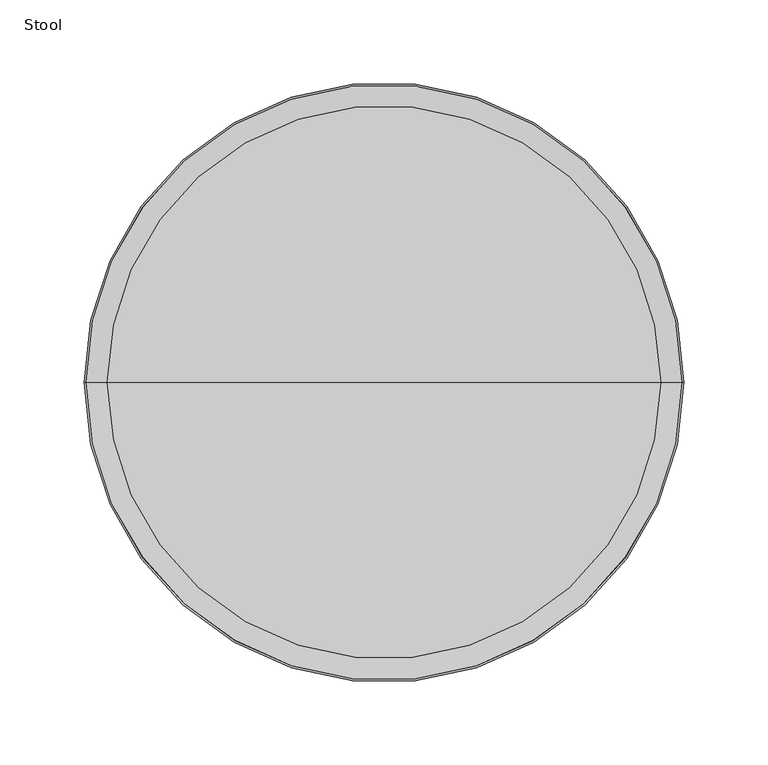
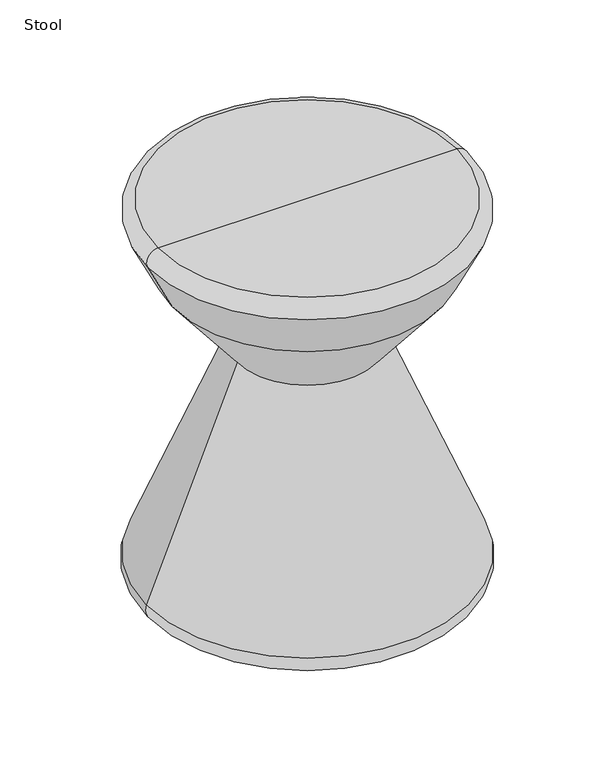
"""IFC4 building model written with IfcOpenShell, lengths in millimetres: furniture geometry, Stool."""

import ifcopenshell
import ifcopenshell.guid

model = None  # the IFC model being written
_history = None  # IfcOwnerHistory: only IFC2X3 demands one
_inside = {}  # id of a spatial element -> (the spatial element, [elements in it])
_under = {}  # id of a project, library or spatial element -> (it, [spatial elements below it])
_declared = {}  # id of a project -> (the project, [libraries it declares])
_typed = {}  # id of a type object -> (the type object, [elements of that type])
_made_of = {}  # id of a material, layer set ... -> (it, [elements and type objects made of it])


def new_model(schema):
    """Start an empty IFC model of exactly this schema.

    Asked for "IFC4X3", IfcOpenShell would pick the latest addendum, in which some entities
    have other attributes; the version numbers below select the first issue.
    IFC2X3 requires an IfcOwnerHistory on every rooted entity: one is made here for all.
    """
    global model, _history
    if schema == "IFC4X3":
        model = ifcopenshell.file(schema_version=(4, 3, 0, 0))
    else:
        model = ifcopenshell.file(schema=schema)
    _inside.clear()
    _under.clear()
    _declared.clear()
    _typed.clear()
    _made_of.clear()
    _history = None
    if model.schema == "IFC2X3":
        org = make("IfcOrganization", Name="unknown")
        user = make(
            "IfcPersonAndOrganization",
            ThePerson=make("IfcPerson", FamilyName="unknown"),
            TheOrganization=org,
        )
        app = make(
            "IfcApplication",
            ApplicationDeveloper=org,
            Version="unknown",
            ApplicationFullName="unknown",
            ApplicationIdentifier="unknown",
        )
        _history = make(
            "IfcOwnerHistory",
            OwningUser=user,
            OwningApplication=app,
            ChangeAction="ADDED",
            CreationDate=0,
        )
    return model


def make(cls, **values):
    """One entity of the class cls with the attributes given. An attribute that is None is left unset."""
    return model.create_entity(
        cls, **{name: value for name, value in values.items() if value is not None}
    )


def rooted(cls, **values):
    """An entity with a GlobalId (a new one), such as an element, a storey or a relation."""
    return make(cls, GlobalId=ifcopenshell.guid.new(), OwnerHistory=_history, **values)


def si_unit(unit_type, name, prefix=None):
    """IfcSIUnit, for example si_unit("LENGTHUNIT", "METRE", prefix="MILLI")."""
    return make("IfcSIUnit", UnitType=unit_type, Prefix=prefix, Name=name)


def assignment(units):
    """IfcUnitAssignment: the units of a project."""
    return None if units is None else make("IfcUnitAssignment", Units=units)


def point(xyz):
    """IfcCartesianPoint."""
    return None if xyz is None else make("IfcCartesianPoint", Coordinates=xyz)


def direction(xyz):
    """IfcDirection."""
    return None if xyz is None else make("IfcDirection", DirectionRatios=xyz)


def frame(location, z_axis=None, x_axis=None):
    """IfcAxis2Placement3D, a coordinate frame: its origin and axes. An axis left out is left unset."""
    return make(
        "IfcAxis2Placement3D",
        Location=point(location),
        Axis=direction(z_axis),
        RefDirection=direction(x_axis),
    )


def origin():
    """The frame at (0, 0, 0) with its axes left unset."""
    return frame((0.0, 0.0, 0.0))


def place(relative_to, where):
    """IfcLocalPlacement: puts the frame where relative to a parent placement (None: the world)."""
    return make(
        "IfcLocalPlacement", PlacementRelTo=relative_to, RelativePlacement=where
    )


def context(
    kind, dimensions, precision=None, world=None, true_north=None, identifier=None
):
    """IfcGeometricRepresentationContext, for example the 3D "Model" context."""
    return make(
        "IfcGeometricRepresentationContext",
        ContextIdentifier=identifier,
        ContextType=kind,
        CoordinateSpaceDimension=dimensions,
        Precision=precision,
        WorldCoordinateSystem=world,
        TrueNorth=true_north,
    )


def project(units=None, contexts=None):
    """IfcProject with its units and contexts."""
    return rooted(
        "IfcProject",
        Name="project",
        RepresentationContexts=contexts,
        UnitsInContext=assignment(units),
    )


def spatial(cls, under=None, at=None, **own):
    """A site, building, storey or space (cls), placed at a placement, below another one or the project."""
    s = rooted(cls, ObjectPlacement=at, **own)
    if under is not None:
        _under.setdefault(under.id(), (under, []))[1].append(s)
    return s


def polyline(points):
    """IfcPolyline through the points."""
    return make("IfcPolyline", Points=[point(p) for p in points])


def circle_curve(where, radius):
    """IfcCircle in the frame where."""
    return make("IfcCircle", Position=where, Radius=radius)


def ellipse_curve(where, semi_axis1, semi_axis2):
    """IfcEllipse in the frame where."""
    return make(
        "IfcEllipse", Position=where, SemiAxis1=semi_axis1, SemiAxis2=semi_axis2
    )


def trimmed(basis, trim1, trim2, sense, master):
    """IfcTrimmedCurve: the piece of a basis curve between two trims."""
    return make(
        "IfcTrimmedCurve",
        BasisCurve=basis,
        Trim1=trim1,
        Trim2=trim2,
        SenseAgreement=sense,
        MasterRepresentation=master,
    )


def shape(context_of_items, identifier, shape_type, items):
    """IfcShapeRepresentation: the items that make up one representation, for example the "Body"."""
    return make(
        "IfcShapeRepresentation",
        ContextOfItems=context_of_items,
        RepresentationIdentifier=identifier,
        RepresentationType=shape_type,
        Items=items,
    )


def source(mapping_origin, context_of_items, identifier, shape_type, items):
    """IfcRepresentationMap: a shape defined once, which mapped items show again and again."""
    return make(
        "IfcRepresentationMap",
        MappingOrigin=mapping_origin,
        MappedRepresentation=shape(context_of_items, identifier, shape_type, items),
    )


def transform(
    local_origin,
    x_axis=None,
    y_axis=None,
    z_axis=None,
    scale=None,
    scale2=None,
    scale3=None,
    uniform=True,
):
    """IfcCartesianTransformationOperator3D, or its non-uniform kind. x_axis, y_axis, z_axis: its Axis1, 2, 3."""
    if uniform:
        return make(
            "IfcCartesianTransformationOperator3D",
            Axis1=direction(x_axis),
            Axis2=direction(y_axis),
            LocalOrigin=point(local_origin),
            Scale=scale,
            Axis3=direction(z_axis),
        )
    return make(
        "IfcCartesianTransformationOperator3DnonUniform",
        Axis1=direction(x_axis),
        Axis2=direction(y_axis),
        LocalOrigin=point(local_origin),
        Scale=scale,
        Axis3=direction(z_axis),
        Scale2=scale2,
        Scale3=scale3,
    )


def mapped(mapping_source, mapping_target):
    """IfcMappedItem: shows the shape of a source again, moved by a transform."""
    return make(
        "IfcMappedItem", MappingSource=mapping_source, MappingTarget=mapping_target
    )


def made_of(thing, what):
    """Note that an element or type object is made of a material, layer set ...; save() writes the relation."""
    if what is not None:
        _made_of.setdefault(what.id(), (what, []))[1].append(thing)
    return thing


def element(
    cls,
    number,
    at=None,
    inside=None,
    cuts=None,
    type_object=None,
    material=None,
    context=None,
    identifier="Body",
    shape_type=None,
    held_by="IfcProductDefinitionShape",
    body=None,
    shapes=None,
    **own,
):
    """One element of the class cls, such as IfcWall. Its Tag is "e" and its number.

    at: its placement. inside: the storey or other place that contains it. cuts: it is an
    opening in that element (IfcRelVoidsElement). A single representation is given by context,
    identifier, shape_type and body (its items); several are given by shapes. held_by: the class
    of the entity that holds the representations. save() writes the other relations.
    """
    e = rooted(cls, Tag="e%d" % number, ObjectPlacement=at, **own)
    if body is not None:
        shapes = [shape(context, identifier, shape_type, body)]
    if shapes is not None:
        e.Representation = make(held_by, Representations=shapes)
    if inside is not None:
        _inside.setdefault(inside.id(), (inside, []))[1].append(e)
    if cuts is not None:
        rooted(
            "IfcRelVoidsElement", RelatingBuildingElement=cuts, RelatedOpeningElement=e
        )
    if type_object is not None:
        _typed.setdefault(type_object.id(), (type_object, []))[1].append(e)
    return made_of(e, material)


def aggregate(whole, parts):
    """IfcRelAggregates: a whole, such as a stair, and the parts it consists of."""
    return rooted("IfcRelAggregates", RelatingObject=whole, RelatedObjects=parts)


def save(model, path):
    """Write the relations noted so far, then the file.

    IfcRelAggregates (storeys below a building ...), IfcRelContainedInSpatialStructure (elements
    in a storey), IfcRelDefinesByType, IfcRelAssociatesMaterial and IfcRelDeclares: one each for
    every whole, place, type object, material and project.
    """
    for whole, parts in _under.values():
        aggregate(whole, parts)
    for where, things in _inside.values():
        rooted(
            "IfcRelContainedInSpatialStructure",
            RelatedElements=things,
            RelatingStructure=where,
        )
    for kind, things in _typed.values():
        rooted("IfcRelDefinesByType", RelatedObjects=things, RelatingType=kind)
    for what, things in _made_of.values():
        rooted("IfcRelAssociatesMaterial", RelatedObjects=things, RelatingMaterial=what)
    for by, libraries in _declared.values():
        rooted("IfcRelDeclares", RelatingContext=by, RelatedDefinitions=libraries)
    model.write(path)


def plane_surface(at):
    """IfcPlane: the flat surface through the origin of the frame at, square to its z axis."""
    return make("IfcPlane", Position=at)


def revolved_surface(curve, axis_point, axis_direction):
    """IfcSurfaceOfRevolution: the curve turned about the line through axis_point along axis_direction."""
    return make(
        "IfcSurfaceOfRevolution",
        SweptCurve=make("IfcArbitraryOpenProfileDef", ProfileType="CURVE", Curve=curve),
        AxisPosition=make("IfcAxis1Placement", Location=point(axis_point), Axis=direction(axis_direction)),
    )


def advanced_brep(points, edges, surfaces, faces):
    """IfcAdvancedBrep: a solid bounded by faces that lie on surfaces and meet in shared edges.

    An edge is (start, end): straight between two places in points (the first is 0);
    or (start, end, curve); or (start, end, curve, False) where it runs against its curve.
    A face is (place in surfaces, loops), or (place, loops, False) where it looks against
    its surface's normal. A loop lists edges by number (the first is 1), with a minus sign
    where the edge is run from its end to its start. The first loop is the outer one.
    """
    corners = [point(p) for p in points]
    vertices = [make("IfcVertexPoint", VertexGeometry=c) for c in corners]
    made = []
    for start, end, *more in edges:
        made.append(
            make(
                "IfcEdgeCurve",
                EdgeStart=vertices[start],
                EdgeEnd=vertices[end],
                EdgeGeometry=more[0] if more else make("IfcPolyline", Points=[corners[start], corners[end]]),
                SameSense=more[1] if len(more) > 1 else True,
            )
        )
    hull = []
    for where, loops, *sense in faces:
        bounds = []
        for j, loop in enumerate(loops):
            ring = [make("IfcOrientedEdge", EdgeElement=made[abs(k) - 1], Orientation=k > 0) for k in loop]
            bounds.append(
                make(
                    "IfcFaceOuterBound" if j == 0 else "IfcFaceBound",
                    Bound=make("IfcEdgeLoop", EdgeList=ring),
                    Orientation=True,
                )
            )
        hull.append(make("IfcAdvancedFace", Bounds=bounds, FaceSurface=surfaces[where], SameSense=sense[0] if sense else True))
    return make("IfcAdvancedBrep", Outer=make("IfcClosedShell", CfsFaces=hull))


def stool_d127ea80(model_context):
    return source(origin(), model_context, "Body", "AdvancedBrep", [
        advanced_brep(
        [(164.2968128, 0.0, 431.758784), (-164.2968128, 0.0, 431.758784), (0.0, 0.0, 431.758784), (175.7114971, 0.0, 413.4914704), (-175.7114971, 0.0, 413.4914704), (148.4155776, 0.0, 357.5265418), (-148.4155776, 0.0, 357.5265418), (77.1187031, 0.0, 268.2462901), (-77.1187031, 0.0, 268.2462901), (177.0332921, 0.0, 20.9490045), (-177.0332921, 0.0, 20.9490045), (162.9030101, 0.0, 0.0), (-162.9030101, 0.0, 0.0), (0.0, 0.0, 0.0)],
        [
            (0, 1, circle_curve(frame((0.0, 0.0, 431.758784), z_axis=(0.0, 0.0, 1.0), x_axis=(-1.0, 0.0, 0.0)), 164.2968128)),
            (1, 2),
            (2, 0),
            (1, 0, circle_curve(frame((0.0, 0.0, 431.758784), z_axis=(0.0, 0.0, 1.0), x_axis=(-1.0, 0.0, 0.0)), 164.2968128)),
            (3, 4, circle_curve(frame((0.0, 0.0, 413.4914704), z_axis=(0.0, 0.0, 1.0), x_axis=(-1.0, 0.0, 0.0)), 175.7114971)),
            (4, 1, circle_curve(frame((-164.2968128, 0.0, 419.058784), z_axis=(0.0, 1.0, 0.0), x_axis=(-1.0, 0.0, 0.0)), 12.7)),
            (0, 3, circle_curve(frame((164.2968128, 0.0, 419.058784), z_axis=(0.0, 1.0, 0.0), x_axis=(1.0, 0.0, 0.0)), 12.7)),
            (4, 3, circle_curve(frame((0.0, 0.0, 413.4914704), z_axis=(0.0, 0.0, 1.0), x_axis=(-1.0, 0.0, 0.0)), 175.7114971)),
            (5, 6, circle_curve(frame((0.0, 0.0, 357.5265418), z_axis=(0.0, 0.0, 1.0), x_axis=(-1.0, 0.0, 0.0)), 148.4155776)),
            (6, 4),
            (3, 5),
            (6, 5, circle_curve(frame((0.0, 0.0, 357.5265418), z_axis=(0.0, 0.0, 1.0), x_axis=(-1.0, 0.0, 0.0)), 148.4155776)),
            (7, 8, circle_curve(frame((0.0, 0.0, 268.2462901), z_axis=(0.0, 0.0, 1.0), x_axis=(-1.0, 0.0, 0.0)), 77.1187031)),
            (8, 6),
            (5, 7),
            (8, 7, circle_curve(frame((0.0, 0.0, 268.2462901), z_axis=(0.0, 0.0, 1.0), x_axis=(-1.0, 0.0, 0.0)), 77.1187031)),
            (9, 10, circle_curve(frame((0.0, 0.0, 20.9490045), z_axis=(0.0, 0.0, 1.0), x_axis=(-1.0, 0.0, 0.0)), 177.0332921)),
            (10, 8),
            (7, 9),
            (10, 9, circle_curve(frame((0.0, 0.0, 20.9490045), z_axis=(0.0, 0.0, 1.0), x_axis=(-1.0, 0.0, 0.0)), 177.0332921)),
            (11, 12, circle_curve(frame((0.0, 0.0, 0.0), z_axis=(0.0, 0.0, 1.0), x_axis=(-1.0, 0.0, 0.0)), 162.9030101)),
            (12, 10, circle_curve(frame((-162.9030101, 0.0, 15.24), z_axis=(0.0, 1.0, 0.0), x_axis=(-1.0, 0.0, 0.0)), 15.24)),
            (9, 11, circle_curve(frame((162.9030101, 0.0, 15.24), z_axis=(0.0, 1.0, 0.0), x_axis=(1.0, 0.0, 0.0)), 15.24)),
            (12, 11, circle_curve(frame((0.0, 0.0, 0.0), z_axis=(0.0, 0.0, 1.0), x_axis=(-1.0, 0.0, 0.0)), 162.9030101)),
            (13, 12),
            (11, 13),
        ],
        [
            plane_surface(frame((0.0, 0.0, 431.758784), z_axis=(0.0, 0.0, 1.0), x_axis=(-1.0, 0.0, 0.0))),
            revolved_surface(trimmed(ellipse_curve(frame((-164.2968128, 0.0, 419.058784), z_axis=(0.0, -1.0, 0.0), x_axis=(-1.0, 0.0, 0.0)), 12.7, 12.7), [point((-164.2968128, 0.0, 431.758784))], [point((-175.7114971, 0.0, 413.4914704))], True, "CARTESIAN"), (0.0, 0.0, 533.358784), (0.0, 0.0, -1.0)),
            revolved_surface(polyline([(-175.7114971, 0.0, 413.4914704), (-148.4155776, 0.0, 357.5265418)]), (0.0, 0.0, 533.358784), (0.0, 0.0, -1.0)),
            revolved_surface(polyline([(-148.4155776, 0.0, 357.5265418), (-77.1187031, 0.0, 268.2462901)]), (0.0, 0.0, 533.358784), (0.0, 0.0, -1.0)),
            revolved_surface(polyline([(-77.1187031, 0.0, 268.2462901), (-177.0332921, 0.0, 20.9490045)]), (0.0, 0.0, 533.358784), (0.0, 0.0, -1.0)),
            revolved_surface(trimmed(ellipse_curve(frame((-162.9030101, 0.0, 15.24), z_axis=(0.0, -1.0, 0.0), x_axis=(-1.0, 0.0, 0.0)), 15.24, 15.24), [point((-177.0332921, 0.0, 20.9490045))], [point((-162.9030101, 0.0, 0.0))], True, "CARTESIAN"), (0.0, 0.0, 533.358784), (0.0, 0.0, -1.0)),
            plane_surface(frame((0.0, 0.0, 0.0), z_axis=(0.0, 0.0, -1.0), x_axis=(-1.0, 0.0, 0.0))),
        ],
        [
            (0, [[1, 2, 3]]),
            (0, [[4, -3, -2]]),
            (1, [[5, 6, -1, 7]]),
            (1, [[8, -7, -4, -6]]),
            (2, [[9, 10, -5, 11]]),
            (2, [[12, -11, -8, -10]]),
            (3, [[13, 14, -9, 15]]),
            (3, [[16, -15, -12, -14]]),
            (4, [[17, 18, -13, 19]]),
            (4, [[20, -19, -16, -18]]),
            (5, [[21, 22, -17, 23]]),
            (5, [[24, -23, -20, -22]]),
            (6, [[25, -21, 26]]),
            (6, [[-26, -24, -25]]),
        ],
    ),
    ])


if __name__ == "__main__":
    model = new_model("IFC4")
    model_context = context("Model", 3, world=origin())
    ifc_project = project(units=[si_unit("LENGTHUNIT", "METRE", prefix="MILLI")], contexts=[model_context])
    site = spatial("IfcSite", under=ifc_project)
    building = spatial("IfcBuilding", under=site)
    placement = place(None, origin())
    stool_shape = stool_d127ea80(model_context)
    element("IfcFurniture", 1, ObjectType="Stool", at=placement, inside=building, context=model_context, shape_type="MappedRepresentation", body=[
        mapped(stool_shape, transform((0.0, 0.0, 0.0), x_axis=(1.0, 0.0, 0.0), y_axis=(0.0, 1.0, 0.0), z_axis=(0.0, 0.0, 1.0))),
    ])
    save(model, "model.ifc")
